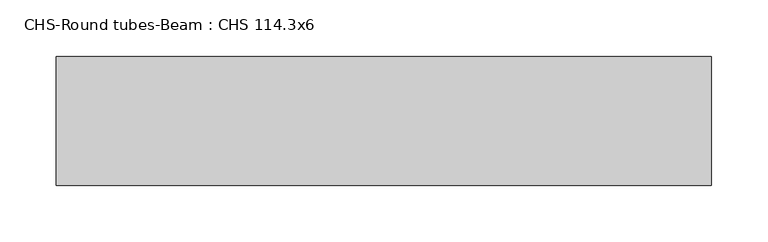
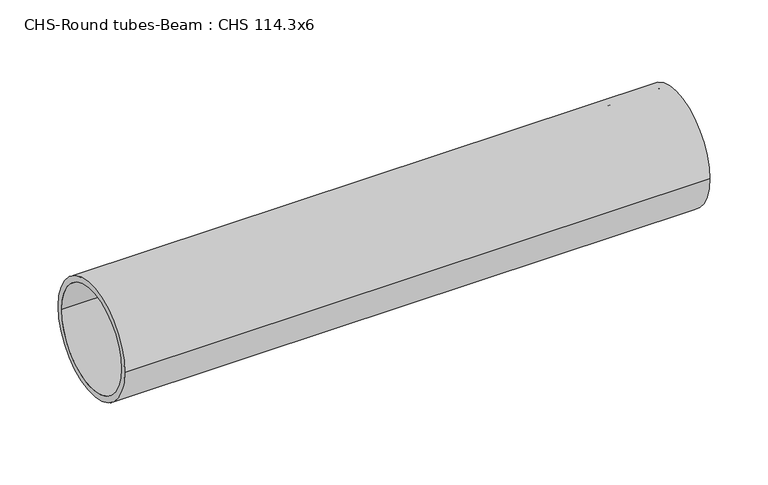
"""IFC4 building model written with IfcOpenShell, lengths in millimetres: beam geometry, CHS-Round tubes-Beam : CHS 114.3x6."""

import ifcopenshell
import ifcopenshell.guid

model = None  # the IFC model being written
_history = None  # IfcOwnerHistory: only IFC2X3 demands one
_inside = {}  # id of a spatial element -> (the spatial element, [elements in it])
_under = {}  # id of a project, library or spatial element -> (it, [spatial elements below it])
_declared = {}  # id of a project -> (the project, [libraries it declares])
_typed = {}  # id of a type object -> (the type object, [elements of that type])
_made_of = {}  # id of a material, layer set ... -> (it, [elements and type objects made of it])


def new_model(schema):
    """Start an empty IFC model of exactly this schema.

    Asked for "IFC4X3", IfcOpenShell would pick the latest addendum, in which some entities
    have other attributes; the version numbers below select the first issue.
    IFC2X3 requires an IfcOwnerHistory on every rooted entity: one is made here for all.
    """
    global model, _history
    if schema == "IFC4X3":
        model = ifcopenshell.file(schema_version=(4, 3, 0, 0))
    else:
        model = ifcopenshell.file(schema=schema)
    _inside.clear()
    _under.clear()
    _declared.clear()
    _typed.clear()
    _made_of.clear()
    _history = None
    if model.schema == "IFC2X3":
        org = make("IfcOrganization", Name="unknown")
        user = make(
            "IfcPersonAndOrganization",
            ThePerson=make("IfcPerson", FamilyName="unknown"),
            TheOrganization=org,
        )
        app = make(
            "IfcApplication",
            ApplicationDeveloper=org,
            Version="unknown",
            ApplicationFullName="unknown",
            ApplicationIdentifier="unknown",
        )
        _history = make(
            "IfcOwnerHistory",
            OwningUser=user,
            OwningApplication=app,
            ChangeAction="ADDED",
            CreationDate=0,
        )
    return model


def make(cls, **values):
    """One entity of the class cls with the attributes given. An attribute that is None is left unset."""
    return model.create_entity(
        cls, **{name: value for name, value in values.items() if value is not None}
    )


def rooted(cls, **values):
    """An entity with a GlobalId (a new one), such as an element, a storey or a relation."""
    return make(cls, GlobalId=ifcopenshell.guid.new(), OwnerHistory=_history, **values)


def si_unit(unit_type, name, prefix=None):
    """IfcSIUnit, for example si_unit("LENGTHUNIT", "METRE", prefix="MILLI")."""
    return make("IfcSIUnit", UnitType=unit_type, Prefix=prefix, Name=name)


def assignment(units):
    """IfcUnitAssignment: the units of a project."""
    return None if units is None else make("IfcUnitAssignment", Units=units)


def point(xyz):
    """IfcCartesianPoint."""
    return None if xyz is None else make("IfcCartesianPoint", Coordinates=xyz)


def direction(xyz):
    """IfcDirection."""
    return None if xyz is None else make("IfcDirection", DirectionRatios=xyz)


def frame(location, z_axis=None, x_axis=None):
    """IfcAxis2Placement3D, a coordinate frame: its origin and axes. An axis left out is left unset."""
    return make(
        "IfcAxis2Placement3D",
        Location=point(location),
        Axis=direction(z_axis),
        RefDirection=direction(x_axis),
    )


def frame_2d(location, x_axis=None):
    """IfcAxis2Placement2D, a coordinate frame in the plane: its origin and x axis."""
    return make(
        "IfcAxis2Placement2D", Location=point(location), RefDirection=direction(x_axis)
    )


def origin():
    """The frame at (0, 0, 0) with its axes left unset."""
    return frame((0.0, 0.0, 0.0))


def origin_2d():
    """The frame at (0, 0) in the plane with its x axis left unset."""
    return frame_2d((0.0, 0.0))


def place(relative_to, where):
    """IfcLocalPlacement: puts the frame where relative to a parent placement (None: the world)."""
    return make(
        "IfcLocalPlacement", PlacementRelTo=relative_to, RelativePlacement=where
    )


def context(
    kind, dimensions, precision=None, world=None, true_north=None, identifier=None
):
    """IfcGeometricRepresentationContext, for example the 3D "Model" context."""
    return make(
        "IfcGeometricRepresentationContext",
        ContextIdentifier=identifier,
        ContextType=kind,
        CoordinateSpaceDimension=dimensions,
        Precision=precision,
        WorldCoordinateSystem=world,
        TrueNorth=true_north,
    )


def project(units=None, contexts=None):
    """IfcProject with its units and contexts."""
    return rooted(
        "IfcProject",
        Name="project",
        RepresentationContexts=contexts,
        UnitsInContext=assignment(units),
    )


def spatial(cls, under=None, at=None, **own):
    """A site, building, storey or space (cls), placed at a placement, below another one or the project."""
    s = rooted(cls, ObjectPlacement=at, **own)
    if under is not None:
        _under.setdefault(under.id(), (under, []))[1].append(s)
    return s


def circle_curve(where, radius):
    """IfcCircle in the frame where."""
    return make("IfcCircle", Position=where, Radius=radius)


def trimmed(basis, trim1, trim2, sense, master):
    """IfcTrimmedCurve: the piece of a basis curve between two trims."""
    return make(
        "IfcTrimmedCurve",
        BasisCurve=basis,
        Trim1=trim1,
        Trim2=trim2,
        SenseAgreement=sense,
        MasterRepresentation=master,
    )


def segment(curve, same_sense, transition):
    """IfcCompositeCurveSegment."""
    return make(
        "IfcCompositeCurveSegment",
        Transition=transition,
        SameSense=same_sense,
        ParentCurve=curve,
    )


def composite_curve(segments, self_intersect=None):
    """IfcCompositeCurve: segments joined end to end."""
    return make("IfcCompositeCurve", Segments=segments, SelfIntersect=self_intersect)


def outline(outer, holes=None, kind="AREA"):
    """IfcArbitraryClosedProfileDef: a profile drawn as a closed curve; with holes, ...WithVoids."""
    if holes is None:
        return make("IfcArbitraryClosedProfileDef", ProfileType=kind, OuterCurve=outer)
    return make(
        "IfcArbitraryProfileDefWithVoids",
        ProfileType=kind,
        OuterCurve=outer,
        InnerCurves=holes,
    )


def extrude(swept, where, along, depth):
    """IfcExtrudedAreaSolid: the profile swept, set in the frame where, extruded along a direction by depth."""
    return make(
        "IfcExtrudedAreaSolid",
        SweptArea=swept,
        Position=where,
        ExtrudedDirection=direction(along),
        Depth=depth,
    )


def shape(context_of_items, identifier, shape_type, items):
    """IfcShapeRepresentation: the items that make up one representation, for example the "Body"."""
    return make(
        "IfcShapeRepresentation",
        ContextOfItems=context_of_items,
        RepresentationIdentifier=identifier,
        RepresentationType=shape_type,
        Items=items,
    )


def source(mapping_origin, context_of_items, identifier, shape_type, items):
    """IfcRepresentationMap: a shape defined once, which mapped items show again and again."""
    return make(
        "IfcRepresentationMap",
        MappingOrigin=mapping_origin,
        MappedRepresentation=shape(context_of_items, identifier, shape_type, items),
    )


def transform(
    local_origin,
    x_axis=None,
    y_axis=None,
    z_axis=None,
    scale=None,
    scale2=None,
    scale3=None,
    uniform=True,
):
    """IfcCartesianTransformationOperator3D, or its non-uniform kind. x_axis, y_axis, z_axis: its Axis1, 2, 3."""
    if uniform:
        return make(
            "IfcCartesianTransformationOperator3D",
            Axis1=direction(x_axis),
            Axis2=direction(y_axis),
            LocalOrigin=point(local_origin),
            Scale=scale,
            Axis3=direction(z_axis),
        )
    return make(
        "IfcCartesianTransformationOperator3DnonUniform",
        Axis1=direction(x_axis),
        Axis2=direction(y_axis),
        LocalOrigin=point(local_origin),
        Scale=scale,
        Axis3=direction(z_axis),
        Scale2=scale2,
        Scale3=scale3,
    )


def mapped(mapping_source, mapping_target):
    """IfcMappedItem: shows the shape of a source again, moved by a transform."""
    return make(
        "IfcMappedItem", MappingSource=mapping_source, MappingTarget=mapping_target
    )


def made_of(thing, what):
    """Note that an element or type object is made of a material, layer set ...; save() writes the relation."""
    if what is not None:
        _made_of.setdefault(what.id(), (what, []))[1].append(thing)
    return thing


def element(
    cls,
    number,
    at=None,
    inside=None,
    cuts=None,
    type_object=None,
    material=None,
    context=None,
    identifier="Body",
    shape_type=None,
    held_by="IfcProductDefinitionShape",
    body=None,
    shapes=None,
    **own,
):
    """One element of the class cls, such as IfcWall. Its Tag is "e" and its number.

    at: its placement. inside: the storey or other place that contains it. cuts: it is an
    opening in that element (IfcRelVoidsElement). A single representation is given by context,
    identifier, shape_type and body (its items); several are given by shapes. held_by: the class
    of the entity that holds the representations. save() writes the other relations.
    """
    e = rooted(cls, Tag="e%d" % number, ObjectPlacement=at, **own)
    if body is not None:
        shapes = [shape(context, identifier, shape_type, body)]
    if shapes is not None:
        e.Representation = make(held_by, Representations=shapes)
    if inside is not None:
        _inside.setdefault(inside.id(), (inside, []))[1].append(e)
    if cuts is not None:
        rooted(
            "IfcRelVoidsElement", RelatingBuildingElement=cuts, RelatedOpeningElement=e
        )
    if type_object is not None:
        _typed.setdefault(type_object.id(), (type_object, []))[1].append(e)
    return made_of(e, material)


def aggregate(whole, parts):
    """IfcRelAggregates: a whole, such as a stair, and the parts it consists of."""
    return rooted("IfcRelAggregates", RelatingObject=whole, RelatedObjects=parts)


def save(model, path):
    """Write the relations noted so far, then the file.

    IfcRelAggregates (storeys below a building ...), IfcRelContainedInSpatialStructure (elements
    in a storey), IfcRelDefinesByType, IfcRelAssociatesMaterial and IfcRelDeclares: one each for
    every whole, place, type object, material and project.
    """
    for whole, parts in _under.values():
        aggregate(whole, parts)
    for where, things in _inside.values():
        rooted(
            "IfcRelContainedInSpatialStructure",
            RelatedElements=things,
            RelatingStructure=where,
        )
    for kind, things in _typed.values():
        rooted("IfcRelDefinesByType", RelatedObjects=things, RelatingType=kind)
    for what, things in _made_of.values():
        rooted("IfcRelAssociatesMaterial", RelatedObjects=things, RelatingMaterial=what)
    for by, libraries in _declared.values():
        rooted("IfcRelDeclares", RelatingContext=by, RelatedDefinitions=libraries)
    model.write(path)


def chs_round_tubes_beam_chs_114_3x6_7954cbca(model_context):
    return source(origin(), model_context, "Body", "SweptSolid", [
        extrude(outline(composite_curve([segment(trimmed(circle_curve(origin_2d(), 57.15), [point((57.15, 0.0))], [point((-57.15, 0.0))], False, "CARTESIAN"), True, "CONTINUOUS"), segment(trimmed(circle_curve(origin_2d(), 57.15), [point((-57.15, 0.0))], [point((57.15, 0.0))], False, "CARTESIAN"), True, "CONTINUOUS")], self_intersect=False), holes=[composite_curve([segment(trimmed(circle_curve(origin_2d(), 51.15), [point((51.15, 0.0))], [point((-51.15, 0.0))], True, "CARTESIAN"), True, "CONTINUOUS"), segment(trimmed(circle_curve(origin_2d(), 51.15), [point((-51.15, 0.0))], [point((51.15, 0.0))], True, "CARTESIAN"), True, "CONTINUOUS")], self_intersect=False)]), frame((-268.4866922, 0.0, 0.0), z_axis=(1.0, 0.0, 0.0), x_axis=(0.0, 1.0, 0.0)), (0.0, 0.0, 1.0), 579.6821127),
    ])


if __name__ == "__main__":
    model = new_model("IFC4")
    model_context = context("Model", 3, world=origin())
    ifc_project = project(units=[si_unit("LENGTHUNIT", "METRE", prefix="MILLI")], contexts=[model_context])
    site = spatial("IfcSite", under=ifc_project)
    building = spatial("IfcBuilding", under=site)
    placement = place(None, origin())
    chs_round_tubes_beam_chs_114_3x6_shape = chs_round_tubes_beam_chs_114_3x6_7954cbca(model_context)
    element("IfcBeam", 1, ObjectType="CHS-Round tubes-Beam : CHS 114.3x6", at=placement, inside=building, context=model_context, shape_type="MappedRepresentation", body=[
        mapped(chs_round_tubes_beam_chs_114_3x6_shape, transform((0.0, 0.0, 0.0), x_axis=(1.0, 0.0, 0.0), y_axis=(0.0, 1.0, 0.0), z_axis=(0.0, 0.0, 1.0))),
    ])
    save(model, "model.ifc")
